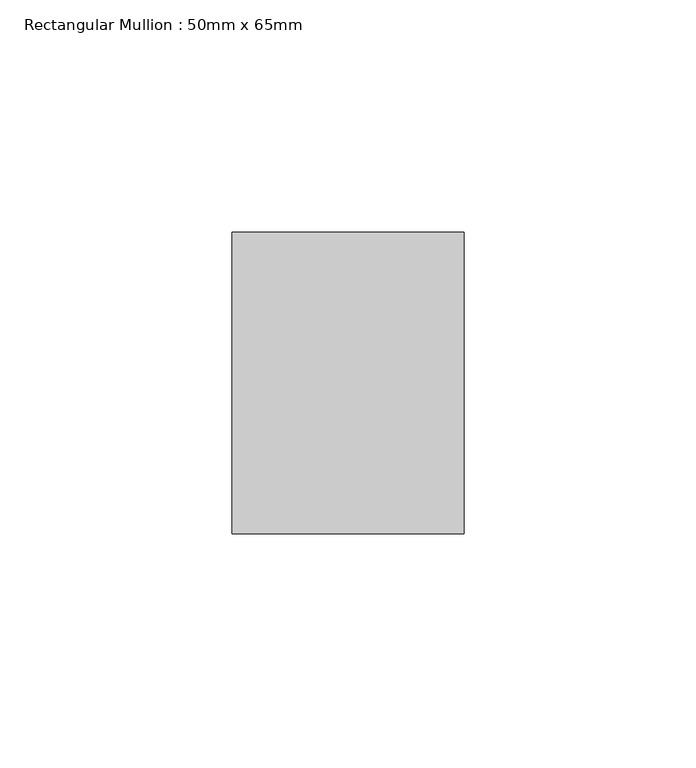
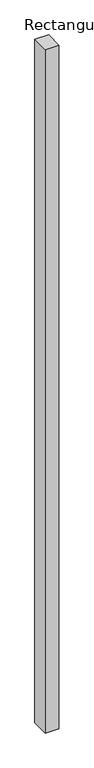
"""IFC4 building model written with IfcOpenShell, lengths in millimetres: member geometry, Rectangular Mullion : 50mm x 65mm."""

import ifcopenshell
import ifcopenshell.guid

model = None  # the IFC model being written
_history = None  # IfcOwnerHistory: only IFC2X3 demands one
_inside = {}  # id of a spatial element -> (the spatial element, [elements in it])
_under = {}  # id of a project, library or spatial element -> (it, [spatial elements below it])
_declared = {}  # id of a project -> (the project, [libraries it declares])
_typed = {}  # id of a type object -> (the type object, [elements of that type])
_made_of = {}  # id of a material, layer set ... -> (it, [elements and type objects made of it])


def new_model(schema):
    """Start an empty IFC model of exactly this schema.

    Asked for "IFC4X3", IfcOpenShell would pick the latest addendum, in which some entities
    have other attributes; the version numbers below select the first issue.
    IFC2X3 requires an IfcOwnerHistory on every rooted entity: one is made here for all.
    """
    global model, _history
    if schema == "IFC4X3":
        model = ifcopenshell.file(schema_version=(4, 3, 0, 0))
    else:
        model = ifcopenshell.file(schema=schema)
    _inside.clear()
    _under.clear()
    _declared.clear()
    _typed.clear()
    _made_of.clear()
    _history = None
    if model.schema == "IFC2X3":
        org = make("IfcOrganization", Name="unknown")
        user = make(
            "IfcPersonAndOrganization",
            ThePerson=make("IfcPerson", FamilyName="unknown"),
            TheOrganization=org,
        )
        app = make(
            "IfcApplication",
            ApplicationDeveloper=org,
            Version="unknown",
            ApplicationFullName="unknown",
            ApplicationIdentifier="unknown",
        )
        _history = make(
            "IfcOwnerHistory",
            OwningUser=user,
            OwningApplication=app,
            ChangeAction="ADDED",
            CreationDate=0,
        )
    return model


def make(cls, **values):
    """One entity of the class cls with the attributes given. An attribute that is None is left unset."""
    return model.create_entity(
        cls, **{name: value for name, value in values.items() if value is not None}
    )


def rooted(cls, **values):
    """An entity with a GlobalId (a new one), such as an element, a storey or a relation."""
    return make(cls, GlobalId=ifcopenshell.guid.new(), OwnerHistory=_history, **values)


def si_unit(unit_type, name, prefix=None):
    """IfcSIUnit, for example si_unit("LENGTHUNIT", "METRE", prefix="MILLI")."""
    return make("IfcSIUnit", UnitType=unit_type, Prefix=prefix, Name=name)


def assignment(units):
    """IfcUnitAssignment: the units of a project."""
    return None if units is None else make("IfcUnitAssignment", Units=units)


def point(xyz):
    """IfcCartesianPoint."""
    return None if xyz is None else make("IfcCartesianPoint", Coordinates=xyz)


def direction(xyz):
    """IfcDirection."""
    return None if xyz is None else make("IfcDirection", DirectionRatios=xyz)


def frame(location, z_axis=None, x_axis=None):
    """IfcAxis2Placement3D, a coordinate frame: its origin and axes. An axis left out is left unset."""
    return make(
        "IfcAxis2Placement3D",
        Location=point(location),
        Axis=direction(z_axis),
        RefDirection=direction(x_axis),
    )


def origin():
    """The frame at (0, 0, 0) with its axes left unset."""
    return frame((0.0, 0.0, 0.0))


def place(relative_to, where):
    """IfcLocalPlacement: puts the frame where relative to a parent placement (None: the world)."""
    return make(
        "IfcLocalPlacement", PlacementRelTo=relative_to, RelativePlacement=where
    )


def context(
    kind, dimensions, precision=None, world=None, true_north=None, identifier=None
):
    """IfcGeometricRepresentationContext, for example the 3D "Model" context."""
    return make(
        "IfcGeometricRepresentationContext",
        ContextIdentifier=identifier,
        ContextType=kind,
        CoordinateSpaceDimension=dimensions,
        Precision=precision,
        WorldCoordinateSystem=world,
        TrueNorth=true_north,
    )


def project(units=None, contexts=None):
    """IfcProject with its units and contexts."""
    return rooted(
        "IfcProject",
        Name="project",
        RepresentationContexts=contexts,
        UnitsInContext=assignment(units),
    )


def spatial(cls, under=None, at=None, **own):
    """A site, building, storey or space (cls), placed at a placement, below another one or the project."""
    s = rooted(cls, ObjectPlacement=at, **own)
    if under is not None:
        _under.setdefault(under.id(), (under, []))[1].append(s)
    return s


def polyline(points):
    """IfcPolyline through the points."""
    return make("IfcPolyline", Points=[point(p) for p in points])


def outline(outer, holes=None, kind="AREA"):
    """IfcArbitraryClosedProfileDef: a profile drawn as a closed curve; with holes, ...WithVoids."""
    if holes is None:
        return make("IfcArbitraryClosedProfileDef", ProfileType=kind, OuterCurve=outer)
    return make(
        "IfcArbitraryProfileDefWithVoids",
        ProfileType=kind,
        OuterCurve=outer,
        InnerCurves=holes,
    )


def extrude(swept, where, along, depth):
    """IfcExtrudedAreaSolid: the profile swept, set in the frame where, extruded along a direction by depth."""
    return make(
        "IfcExtrudedAreaSolid",
        SweptArea=swept,
        Position=where,
        ExtrudedDirection=direction(along),
        Depth=depth,
    )


def shape(context_of_items, identifier, shape_type, items):
    """IfcShapeRepresentation: the items that make up one representation, for example the "Body"."""
    return make(
        "IfcShapeRepresentation",
        ContextOfItems=context_of_items,
        RepresentationIdentifier=identifier,
        RepresentationType=shape_type,
        Items=items,
    )


def source(mapping_origin, context_of_items, identifier, shape_type, items):
    """IfcRepresentationMap: a shape defined once, which mapped items show again and again."""
    return make(
        "IfcRepresentationMap",
        MappingOrigin=mapping_origin,
        MappedRepresentation=shape(context_of_items, identifier, shape_type, items),
    )


def transform(
    local_origin,
    x_axis=None,
    y_axis=None,
    z_axis=None,
    scale=None,
    scale2=None,
    scale3=None,
    uniform=True,
):
    """IfcCartesianTransformationOperator3D, or its non-uniform kind. x_axis, y_axis, z_axis: its Axis1, 2, 3."""
    if uniform:
        return make(
            "IfcCartesianTransformationOperator3D",
            Axis1=direction(x_axis),
            Axis2=direction(y_axis),
            LocalOrigin=point(local_origin),
            Scale=scale,
            Axis3=direction(z_axis),
        )
    return make(
        "IfcCartesianTransformationOperator3DnonUniform",
        Axis1=direction(x_axis),
        Axis2=direction(y_axis),
        LocalOrigin=point(local_origin),
        Scale=scale,
        Axis3=direction(z_axis),
        Scale2=scale2,
        Scale3=scale3,
    )


def mapped(mapping_source, mapping_target):
    """IfcMappedItem: shows the shape of a source again, moved by a transform."""
    return make(
        "IfcMappedItem", MappingSource=mapping_source, MappingTarget=mapping_target
    )


def made_of(thing, what):
    """Note that an element or type object is made of a material, layer set ...; save() writes the relation."""
    if what is not None:
        _made_of.setdefault(what.id(), (what, []))[1].append(thing)
    return thing


def element(
    cls,
    number,
    at=None,
    inside=None,
    cuts=None,
    type_object=None,
    material=None,
    context=None,
    identifier="Body",
    shape_type=None,
    held_by="IfcProductDefinitionShape",
    body=None,
    shapes=None,
    **own,
):
    """One element of the class cls, such as IfcWall. Its Tag is "e" and its number.

    at: its placement. inside: the storey or other place that contains it. cuts: it is an
    opening in that element (IfcRelVoidsElement). A single representation is given by context,
    identifier, shape_type and body (its items); several are given by shapes. held_by: the class
    of the entity that holds the representations. save() writes the other relations.
    """
    e = rooted(cls, Tag="e%d" % number, ObjectPlacement=at, **own)
    if body is not None:
        shapes = [shape(context, identifier, shape_type, body)]
    if shapes is not None:
        e.Representation = make(held_by, Representations=shapes)
    if inside is not None:
        _inside.setdefault(inside.id(), (inside, []))[1].append(e)
    if cuts is not None:
        rooted(
            "IfcRelVoidsElement", RelatingBuildingElement=cuts, RelatedOpeningElement=e
        )
    if type_object is not None:
        _typed.setdefault(type_object.id(), (type_object, []))[1].append(e)
    return made_of(e, material)


def aggregate(whole, parts):
    """IfcRelAggregates: a whole, such as a stair, and the parts it consists of."""
    return rooted("IfcRelAggregates", RelatingObject=whole, RelatedObjects=parts)


def save(model, path):
    """Write the relations noted so far, then the file.

    IfcRelAggregates (storeys below a building ...), IfcRelContainedInSpatialStructure (elements
    in a storey), IfcRelDefinesByType, IfcRelAssociatesMaterial and IfcRelDeclares: one each for
    every whole, place, type object, material and project.
    """
    for whole, parts in _under.values():
        aggregate(whole, parts)
    for where, things in _inside.values():
        rooted(
            "IfcRelContainedInSpatialStructure",
            RelatedElements=things,
            RelatingStructure=where,
        )
    for kind, things in _typed.values():
        rooted("IfcRelDefinesByType", RelatedObjects=things, RelatingType=kind)
    for what, things in _made_of.values():
        rooted("IfcRelAssociatesMaterial", RelatedObjects=things, RelatingMaterial=what)
    for by, libraries in _declared.values():
        rooted("IfcRelDeclares", RelatingContext=by, RelatedDefinitions=libraries)
    model.write(path)


def rectangular_mullion_50mm_x_65mm_83ce0108(model_context):
    return source(origin(), model_context, "Body", "SweptSolid", [
        extrude(outline(polyline([(25.0, 32.5), (25.0, -32.5), (-25.0, -32.5), (-25.0, 32.5), (25.0, 32.5)])), frame((0.0, 0.0, -2625.0751435), z_axis=(0.0, 0.0, 1.0), x_axis=(1.0, 0.0, 0.0)), (0.0, 0.0, 1.0), 2625.0751435),
    ])


if __name__ == "__main__":
    model = new_model("IFC4")
    model_context = context("Model", 3, world=origin())
    ifc_project = project(units=[si_unit("LENGTHUNIT", "METRE", prefix="MILLI")], contexts=[model_context])
    site = spatial("IfcSite", under=ifc_project)
    building = spatial("IfcBuilding", under=site)
    placement = place(None, origin())
    rectangular_mullion_50mm_x_65mm_shape = rectangular_mullion_50mm_x_65mm_83ce0108(model_context)
    element("IfcMember", 1, ObjectType="Rectangular Mullion : 50mm x 65mm", at=placement, inside=building, context=model_context, shape_type="MappedRepresentation", body=[
        mapped(rectangular_mullion_50mm_x_65mm_shape, transform((0.0, 0.0, 0.0), x_axis=(1.0, 0.0, 0.0), y_axis=(0.0, 1.0, 0.0), z_axis=(0.0, 0.0, 1.0))),
    ])
    save(model, "model.ifc")
